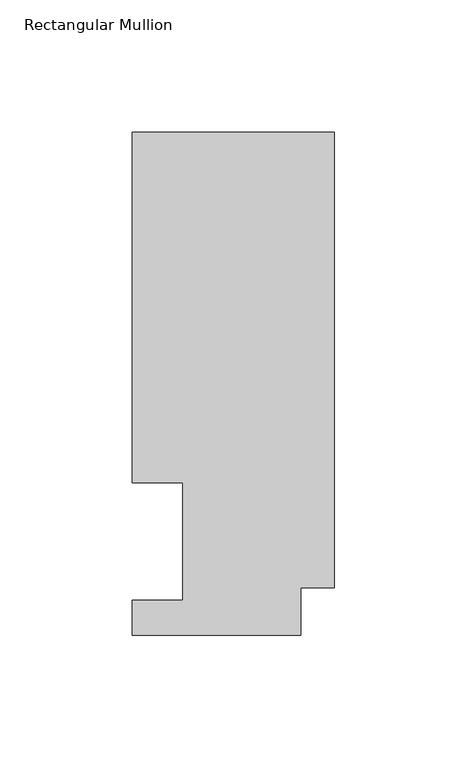
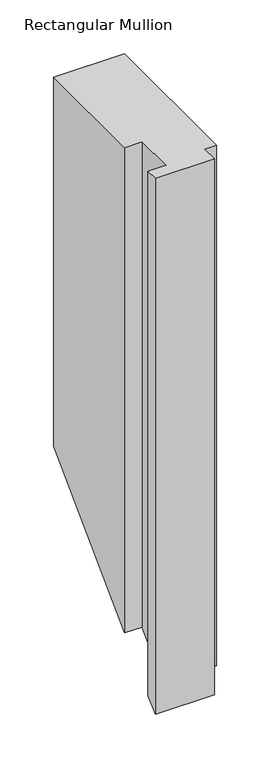
"""IFC4 building model written with IfcOpenShell, lengths in millimetres: member geometry, Rectangular Mullion."""

import ifcopenshell
import ifcopenshell.guid

model = None  # the IFC model being written
_history = None  # IfcOwnerHistory: only IFC2X3 demands one
_inside = {}  # id of a spatial element -> (the spatial element, [elements in it])
_under = {}  # id of a project, library or spatial element -> (it, [spatial elements below it])
_declared = {}  # id of a project -> (the project, [libraries it declares])
_typed = {}  # id of a type object -> (the type object, [elements of that type])
_made_of = {}  # id of a material, layer set ... -> (it, [elements and type objects made of it])


def new_model(schema):
    """Start an empty IFC model of exactly this schema.

    Asked for "IFC4X3", IfcOpenShell would pick the latest addendum, in which some entities
    have other attributes; the version numbers below select the first issue.
    IFC2X3 requires an IfcOwnerHistory on every rooted entity: one is made here for all.
    """
    global model, _history
    if schema == "IFC4X3":
        model = ifcopenshell.file(schema_version=(4, 3, 0, 0))
    else:
        model = ifcopenshell.file(schema=schema)
    _inside.clear()
    _under.clear()
    _declared.clear()
    _typed.clear()
    _made_of.clear()
    _history = None
    if model.schema == "IFC2X3":
        org = make("IfcOrganization", Name="unknown")
        user = make(
            "IfcPersonAndOrganization",
            ThePerson=make("IfcPerson", FamilyName="unknown"),
            TheOrganization=org,
        )
        app = make(
            "IfcApplication",
            ApplicationDeveloper=org,
            Version="unknown",
            ApplicationFullName="unknown",
            ApplicationIdentifier="unknown",
        )
        _history = make(
            "IfcOwnerHistory",
            OwningUser=user,
            OwningApplication=app,
            ChangeAction="ADDED",
            CreationDate=0,
        )
    return model


def make(cls, **values):
    """One entity of the class cls with the attributes given. An attribute that is None is left unset."""
    return model.create_entity(
        cls, **{name: value for name, value in values.items() if value is not None}
    )


def rooted(cls, **values):
    """An entity with a GlobalId (a new one), such as an element, a storey or a relation."""
    return make(cls, GlobalId=ifcopenshell.guid.new(), OwnerHistory=_history, **values)


def si_unit(unit_type, name, prefix=None):
    """IfcSIUnit, for example si_unit("LENGTHUNIT", "METRE", prefix="MILLI")."""
    return make("IfcSIUnit", UnitType=unit_type, Prefix=prefix, Name=name)


def assignment(units):
    """IfcUnitAssignment: the units of a project."""
    return None if units is None else make("IfcUnitAssignment", Units=units)


def point(xyz):
    """IfcCartesianPoint."""
    return None if xyz is None else make("IfcCartesianPoint", Coordinates=xyz)


def direction(xyz):
    """IfcDirection."""
    return None if xyz is None else make("IfcDirection", DirectionRatios=xyz)


def frame(location, z_axis=None, x_axis=None):
    """IfcAxis2Placement3D, a coordinate frame: its origin and axes. An axis left out is left unset."""
    return make(
        "IfcAxis2Placement3D",
        Location=point(location),
        Axis=direction(z_axis),
        RefDirection=direction(x_axis),
    )


def origin():
    """The frame at (0, 0, 0) with its axes left unset."""
    return frame((0.0, 0.0, 0.0))


def place(relative_to, where):
    """IfcLocalPlacement: puts the frame where relative to a parent placement (None: the world)."""
    return make(
        "IfcLocalPlacement", PlacementRelTo=relative_to, RelativePlacement=where
    )


def context(
    kind, dimensions, precision=None, world=None, true_north=None, identifier=None
):
    """IfcGeometricRepresentationContext, for example the 3D "Model" context."""
    return make(
        "IfcGeometricRepresentationContext",
        ContextIdentifier=identifier,
        ContextType=kind,
        CoordinateSpaceDimension=dimensions,
        Precision=precision,
        WorldCoordinateSystem=world,
        TrueNorth=true_north,
    )


def project(units=None, contexts=None):
    """IfcProject with its units and contexts."""
    return rooted(
        "IfcProject",
        Name="project",
        RepresentationContexts=contexts,
        UnitsInContext=assignment(units),
    )


def spatial(cls, under=None, at=None, **own):
    """A site, building, storey or space (cls), placed at a placement, below another one or the project."""
    s = rooted(cls, ObjectPlacement=at, **own)
    if under is not None:
        _under.setdefault(under.id(), (under, []))[1].append(s)
    return s


def faces_of(points, faces, orient=None, outer=None):
    """IfcFace entities. A face is a list of loops; a loop is a list of indices into points, from 0.

    orient and outer hold one flag for each loop. By default every Orientation is true, the
    first loop of a face is its IfcFaceOuterBound and the others are IfcFaceBound.
    """
    made = []
    for i, loops in enumerate(faces):
        bounds = []
        for j, loop in enumerate(loops):
            is_outer = j == 0 if outer is None else outer[i][j]
            bounds.append(
                make(
                    "IfcFaceOuterBound" if is_outer else "IfcFaceBound",
                    Bound=make("IfcPolyLoop", Polygon=[points[k] for k in loop]),
                    Orientation=True if orient is None else orient[i][j],
                )
            )
        made.append(make("IfcFace", Bounds=bounds))
    return made


def faceted_brep(points, faces, orient=None, outer=None, voids=None):
    """IfcFacetedBrep: a solid bounded by flat faces; with voids (closed shells), ...WithVoids."""
    shared = [point(p) for p in points]
    hull = make("IfcClosedShell", CfsFaces=faces_of(shared, faces, orient, outer))
    if voids is None:
        return make("IfcFacetedBrep", Outer=hull)
    return make(
        "IfcFacetedBrepWithVoids",
        Outer=hull,
        Voids=[
            make(cls, CfsFaces=faces_of(shared, fs, o, b)) for cls, fs, o, b in voids
        ],
    )


def shape(context_of_items, identifier, shape_type, items):
    """IfcShapeRepresentation: the items that make up one representation, for example the "Body"."""
    return make(
        "IfcShapeRepresentation",
        ContextOfItems=context_of_items,
        RepresentationIdentifier=identifier,
        RepresentationType=shape_type,
        Items=items,
    )


def source(mapping_origin, context_of_items, identifier, shape_type, items):
    """IfcRepresentationMap: a shape defined once, which mapped items show again and again."""
    return make(
        "IfcRepresentationMap",
        MappingOrigin=mapping_origin,
        MappedRepresentation=shape(context_of_items, identifier, shape_type, items),
    )


def transform(
    local_origin,
    x_axis=None,
    y_axis=None,
    z_axis=None,
    scale=None,
    scale2=None,
    scale3=None,
    uniform=True,
):
    """IfcCartesianTransformationOperator3D, or its non-uniform kind. x_axis, y_axis, z_axis: its Axis1, 2, 3."""
    if uniform:
        return make(
            "IfcCartesianTransformationOperator3D",
            Axis1=direction(x_axis),
            Axis2=direction(y_axis),
            LocalOrigin=point(local_origin),
            Scale=scale,
            Axis3=direction(z_axis),
        )
    return make(
        "IfcCartesianTransformationOperator3DnonUniform",
        Axis1=direction(x_axis),
        Axis2=direction(y_axis),
        LocalOrigin=point(local_origin),
        Scale=scale,
        Axis3=direction(z_axis),
        Scale2=scale2,
        Scale3=scale3,
    )


def mapped(mapping_source, mapping_target):
    """IfcMappedItem: shows the shape of a source again, moved by a transform."""
    return make(
        "IfcMappedItem", MappingSource=mapping_source, MappingTarget=mapping_target
    )


def made_of(thing, what):
    """Note that an element or type object is made of a material, layer set ...; save() writes the relation."""
    if what is not None:
        _made_of.setdefault(what.id(), (what, []))[1].append(thing)
    return thing


def element(
    cls,
    number,
    at=None,
    inside=None,
    cuts=None,
    type_object=None,
    material=None,
    context=None,
    identifier="Body",
    shape_type=None,
    held_by="IfcProductDefinitionShape",
    body=None,
    shapes=None,
    **own,
):
    """One element of the class cls, such as IfcWall. Its Tag is "e" and its number.

    at: its placement. inside: the storey or other place that contains it. cuts: it is an
    opening in that element (IfcRelVoidsElement). A single representation is given by context,
    identifier, shape_type and body (its items); several are given by shapes. held_by: the class
    of the entity that holds the representations. save() writes the other relations.
    """
    e = rooted(cls, Tag="e%d" % number, ObjectPlacement=at, **own)
    if body is not None:
        shapes = [shape(context, identifier, shape_type, body)]
    if shapes is not None:
        e.Representation = make(held_by, Representations=shapes)
    if inside is not None:
        _inside.setdefault(inside.id(), (inside, []))[1].append(e)
    if cuts is not None:
        rooted(
            "IfcRelVoidsElement", RelatingBuildingElement=cuts, RelatedOpeningElement=e
        )
    if type_object is not None:
        _typed.setdefault(type_object.id(), (type_object, []))[1].append(e)
    return made_of(e, material)


def aggregate(whole, parts):
    """IfcRelAggregates: a whole, such as a stair, and the parts it consists of."""
    return rooted("IfcRelAggregates", RelatingObject=whole, RelatedObjects=parts)


def save(model, path):
    """Write the relations noted so far, then the file.

    IfcRelAggregates (storeys below a building ...), IfcRelContainedInSpatialStructure (elements
    in a storey), IfcRelDefinesByType, IfcRelAssociatesMaterial and IfcRelDeclares: one each for
    every whole, place, type object, material and project.
    """
    for whole, parts in _under.values():
        aggregate(whole, parts)
    for where, things in _inside.values():
        rooted(
            "IfcRelContainedInSpatialStructure",
            RelatedElements=things,
            RelatingStructure=where,
        )
    for kind, things in _typed.values():
        rooted("IfcRelDefinesByType", RelatedObjects=things, RelatingType=kind)
    for what, things in _made_of.values():
        rooted("IfcRelAssociatesMaterial", RelatedObjects=things, RelatingMaterial=what)
    for by, libraries in _declared.values():
        rooted("IfcRelDeclares", RelatingContext=by, RelatedDefinitions=libraries)
    model.write(path)


def rectangular_mullion_3361a6f2(model_context):
    return source(origin(), model_context, "Body", "Brep", [
        faceted_brep([(0.0, 189.8022937, 0.0), (-76.2, 189.8022937, 0.0), (-76.2, 57.6460937, 0.0), (-57.1627, 57.6460937, 0.0), (-57.1627, 13.1960937, 0.0), (-76.2, 13.1960937, 0.0), (-76.2, 0.0134937, 0.0), (-12.7, 0.0134937, 0.0), (-12.7, 17.9712937, 0.0), (0.0, 17.9712937, 0.0), (0.0, 189.8022937, -419.7659563), (-76.2, 189.8022937, -419.7659563), (-76.2, 57.6460937, -551.9221563), (-57.1627, 57.6460937, -551.9221563), (-57.1627, 13.1960937, -596.3721563), (-76.2, 13.1960937, -596.3721563), (-76.2, 0.0134937, -609.5547563), (-12.7, 0.0134937, -609.5547563), (-12.7, 17.9712937, -591.5969563), (0.0, 17.9712937, -591.5969563)], [[[0, 1, 2, 3, 4, 5, 6, 7, 8, 9]], [[1, 0, 10, 11]], [[2, 1, 11, 12]], [[3, 2, 12, 13]], [[4, 3, 13, 14]], [[5, 4, 14, 15]], [[6, 5, 15, 16]], [[7, 6, 16, 17]], [[8, 7, 17, 18]], [[9, 8, 18, 19]], [[0, 9, 19, 10]], [[10, 19, 18, 17, 16, 15, 14, 13, 12, 11]]]),
    ])


if __name__ == "__main__":
    model = new_model("IFC4")
    model_context = context("Model", 3, world=origin())
    ifc_project = project(units=[si_unit("LENGTHUNIT", "METRE", prefix="MILLI")], contexts=[model_context])
    site = spatial("IfcSite", under=ifc_project)
    building = spatial("IfcBuilding", under=site)
    placement = place(None, origin())
    rectangular_mullion_shape = rectangular_mullion_3361a6f2(model_context)
    element("IfcMember", 1, ObjectType="Rectangular Mullion", at=placement, inside=building, context=model_context, shape_type="MappedRepresentation", body=[
        mapped(rectangular_mullion_shape, transform((0.0, 0.0, 0.0), x_axis=(1.0, 0.0, 0.0), y_axis=(0.0, 1.0, 0.0), z_axis=(0.0, 0.0, 1.0))),
    ])
    save(model, "model.ifc")
